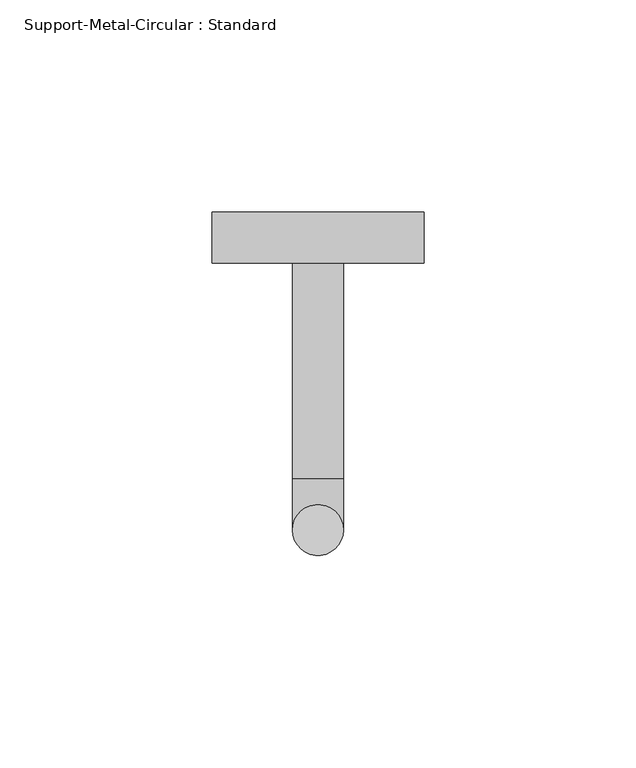
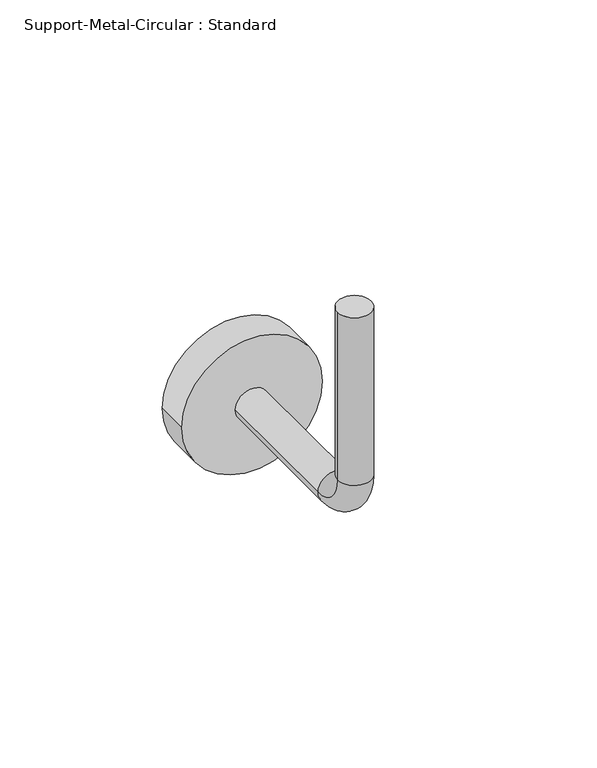
"""IFC4 building model written with IfcOpenShell, lengths in millimetres: proxy geometry, Support-Metal-Circular : Standard."""

import ifcopenshell
import ifcopenshell.guid

model = None  # the IFC model being written
_history = None  # IfcOwnerHistory: only IFC2X3 demands one
_inside = {}  # id of a spatial element -> (the spatial element, [elements in it])
_under = {}  # id of a project, library or spatial element -> (it, [spatial elements below it])
_declared = {}  # id of a project -> (the project, [libraries it declares])
_typed = {}  # id of a type object -> (the type object, [elements of that type])
_made_of = {}  # id of a material, layer set ... -> (it, [elements and type objects made of it])


def new_model(schema):
    """Start an empty IFC model of exactly this schema.

    Asked for "IFC4X3", IfcOpenShell would pick the latest addendum, in which some entities
    have other attributes; the version numbers below select the first issue.
    IFC2X3 requires an IfcOwnerHistory on every rooted entity: one is made here for all.
    """
    global model, _history
    if schema == "IFC4X3":
        model = ifcopenshell.file(schema_version=(4, 3, 0, 0))
    else:
        model = ifcopenshell.file(schema=schema)
    _inside.clear()
    _under.clear()
    _declared.clear()
    _typed.clear()
    _made_of.clear()
    _history = None
    if model.schema == "IFC2X3":
        org = make("IfcOrganization", Name="unknown")
        user = make(
            "IfcPersonAndOrganization",
            ThePerson=make("IfcPerson", FamilyName="unknown"),
            TheOrganization=org,
        )
        app = make(
            "IfcApplication",
            ApplicationDeveloper=org,
            Version="unknown",
            ApplicationFullName="unknown",
            ApplicationIdentifier="unknown",
        )
        _history = make(
            "IfcOwnerHistory",
            OwningUser=user,
            OwningApplication=app,
            ChangeAction="ADDED",
            CreationDate=0,
        )
    return model


def make(cls, **values):
    """One entity of the class cls with the attributes given. An attribute that is None is left unset."""
    return model.create_entity(
        cls, **{name: value for name, value in values.items() if value is not None}
    )


def rooted(cls, **values):
    """An entity with a GlobalId (a new one), such as an element, a storey or a relation."""
    return make(cls, GlobalId=ifcopenshell.guid.new(), OwnerHistory=_history, **values)


def si_unit(unit_type, name, prefix=None):
    """IfcSIUnit, for example si_unit("LENGTHUNIT", "METRE", prefix="MILLI")."""
    return make("IfcSIUnit", UnitType=unit_type, Prefix=prefix, Name=name)


def assignment(units):
    """IfcUnitAssignment: the units of a project."""
    return None if units is None else make("IfcUnitAssignment", Units=units)


def point(xyz):
    """IfcCartesianPoint."""
    return None if xyz is None else make("IfcCartesianPoint", Coordinates=xyz)


def direction(xyz):
    """IfcDirection."""
    return None if xyz is None else make("IfcDirection", DirectionRatios=xyz)


def frame(location, z_axis=None, x_axis=None):
    """IfcAxis2Placement3D, a coordinate frame: its origin and axes. An axis left out is left unset."""
    return make(
        "IfcAxis2Placement3D",
        Location=point(location),
        Axis=direction(z_axis),
        RefDirection=direction(x_axis),
    )


def frame_2d(location, x_axis=None):
    """IfcAxis2Placement2D, a coordinate frame in the plane: its origin and x axis."""
    return make(
        "IfcAxis2Placement2D", Location=point(location), RefDirection=direction(x_axis)
    )


def origin():
    """The frame at (0, 0, 0) with its axes left unset."""
    return frame((0.0, 0.0, 0.0))


def origin_with_axes():
    """The frame at (0, 0, 0) with the z axis (0, 0, 1) and the x axis (1, 0, 0) written out."""
    return frame((0.0, 0.0, 0.0), z_axis=(0.0, 0.0, 1.0), x_axis=(1.0, 0.0, 0.0))


def place(relative_to, where):
    """IfcLocalPlacement: puts the frame where relative to a parent placement (None: the world)."""
    return make(
        "IfcLocalPlacement", PlacementRelTo=relative_to, RelativePlacement=where
    )


def context(
    kind, dimensions, precision=None, world=None, true_north=None, identifier=None
):
    """IfcGeometricRepresentationContext, for example the 3D "Model" context."""
    return make(
        "IfcGeometricRepresentationContext",
        ContextIdentifier=identifier,
        ContextType=kind,
        CoordinateSpaceDimension=dimensions,
        Precision=precision,
        WorldCoordinateSystem=world,
        TrueNorth=true_north,
    )


def project(units=None, contexts=None):
    """IfcProject with its units and contexts."""
    return rooted(
        "IfcProject",
        Name="project",
        RepresentationContexts=contexts,
        UnitsInContext=assignment(units),
    )


def spatial(cls, under=None, at=None, **own):
    """A site, building, storey or space (cls), placed at a placement, below another one or the project."""
    s = rooted(cls, ObjectPlacement=at, **own)
    if under is not None:
        _under.setdefault(under.id(), (under, []))[1].append(s)
    return s


def circle_curve(where, radius):
    """IfcCircle in the frame where."""
    return make("IfcCircle", Position=where, Radius=radius)


def ellipse_curve(where, semi_axis1, semi_axis2):
    """IfcEllipse in the frame where."""
    return make(
        "IfcEllipse", Position=where, SemiAxis1=semi_axis1, SemiAxis2=semi_axis2
    )


def trimmed(basis, trim1, trim2, sense, master):
    """IfcTrimmedCurve: the piece of a basis curve between two trims."""
    return make(
        "IfcTrimmedCurve",
        BasisCurve=basis,
        Trim1=trim1,
        Trim2=trim2,
        SenseAgreement=sense,
        MasterRepresentation=master,
    )


def segment(curve, same_sense, transition):
    """IfcCompositeCurveSegment."""
    return make(
        "IfcCompositeCurveSegment",
        Transition=transition,
        SameSense=same_sense,
        ParentCurve=curve,
    )


def composite_curve(segments, self_intersect=None):
    """IfcCompositeCurve: segments joined end to end."""
    return make("IfcCompositeCurve", Segments=segments, SelfIntersect=self_intersect)


def outline(outer, holes=None, kind="AREA"):
    """IfcArbitraryClosedProfileDef: a profile drawn as a closed curve; with holes, ...WithVoids."""
    if holes is None:
        return make("IfcArbitraryClosedProfileDef", ProfileType=kind, OuterCurve=outer)
    return make(
        "IfcArbitraryProfileDefWithVoids",
        ProfileType=kind,
        OuterCurve=outer,
        InnerCurves=holes,
    )


def extrude(swept, where, along, depth):
    """IfcExtrudedAreaSolid: the profile swept, set in the frame where, extruded along a direction by depth."""
    return make(
        "IfcExtrudedAreaSolid",
        SweptArea=swept,
        Position=where,
        ExtrudedDirection=direction(along),
        Depth=depth,
    )


def shape(context_of_items, identifier, shape_type, items):
    """IfcShapeRepresentation: the items that make up one representation, for example the "Body"."""
    return make(
        "IfcShapeRepresentation",
        ContextOfItems=context_of_items,
        RepresentationIdentifier=identifier,
        RepresentationType=shape_type,
        Items=items,
    )


def source(mapping_origin, context_of_items, identifier, shape_type, items):
    """IfcRepresentationMap: a shape defined once, which mapped items show again and again."""
    return make(
        "IfcRepresentationMap",
        MappingOrigin=mapping_origin,
        MappedRepresentation=shape(context_of_items, identifier, shape_type, items),
    )


def transform(
    local_origin,
    x_axis=None,
    y_axis=None,
    z_axis=None,
    scale=None,
    scale2=None,
    scale3=None,
    uniform=True,
):
    """IfcCartesianTransformationOperator3D, or its non-uniform kind. x_axis, y_axis, z_axis: its Axis1, 2, 3."""
    if uniform:
        return make(
            "IfcCartesianTransformationOperator3D",
            Axis1=direction(x_axis),
            Axis2=direction(y_axis),
            LocalOrigin=point(local_origin),
            Scale=scale,
            Axis3=direction(z_axis),
        )
    return make(
        "IfcCartesianTransformationOperator3DnonUniform",
        Axis1=direction(x_axis),
        Axis2=direction(y_axis),
        LocalOrigin=point(local_origin),
        Scale=scale,
        Axis3=direction(z_axis),
        Scale2=scale2,
        Scale3=scale3,
    )


def mapped(mapping_source, mapping_target):
    """IfcMappedItem: shows the shape of a source again, moved by a transform."""
    return make(
        "IfcMappedItem", MappingSource=mapping_source, MappingTarget=mapping_target
    )


def made_of(thing, what):
    """Note that an element or type object is made of a material, layer set ...; save() writes the relation."""
    if what is not None:
        _made_of.setdefault(what.id(), (what, []))[1].append(thing)
    return thing


def element(
    cls,
    number,
    at=None,
    inside=None,
    cuts=None,
    type_object=None,
    material=None,
    context=None,
    identifier="Body",
    shape_type=None,
    held_by="IfcProductDefinitionShape",
    body=None,
    shapes=None,
    **own,
):
    """One element of the class cls, such as IfcWall. Its Tag is "e" and its number.

    at: its placement. inside: the storey or other place that contains it. cuts: it is an
    opening in that element (IfcRelVoidsElement). A single representation is given by context,
    identifier, shape_type and body (its items); several are given by shapes. held_by: the class
    of the entity that holds the representations. save() writes the other relations.
    """
    e = rooted(cls, Tag="e%d" % number, ObjectPlacement=at, **own)
    if body is not None:
        shapes = [shape(context, identifier, shape_type, body)]
    if shapes is not None:
        e.Representation = make(held_by, Representations=shapes)
    if inside is not None:
        _inside.setdefault(inside.id(), (inside, []))[1].append(e)
    if cuts is not None:
        rooted(
            "IfcRelVoidsElement", RelatingBuildingElement=cuts, RelatedOpeningElement=e
        )
    if type_object is not None:
        _typed.setdefault(type_object.id(), (type_object, []))[1].append(e)
    return made_of(e, material)


def aggregate(whole, parts):
    """IfcRelAggregates: a whole, such as a stair, and the parts it consists of."""
    return rooted("IfcRelAggregates", RelatingObject=whole, RelatedObjects=parts)


def save(model, path):
    """Write the relations noted so far, then the file.

    IfcRelAggregates (storeys below a building ...), IfcRelContainedInSpatialStructure (elements
    in a storey), IfcRelDefinesByType, IfcRelAssociatesMaterial and IfcRelDeclares: one each for
    every whole, place, type object, material and project.
    """
    for whole, parts in _under.values():
        aggregate(whole, parts)
    for where, things in _inside.values():
        rooted(
            "IfcRelContainedInSpatialStructure",
            RelatedElements=things,
            RelatingStructure=where,
        )
    for kind, things in _typed.values():
        rooted("IfcRelDefinesByType", RelatedObjects=things, RelatingType=kind)
    for what, things in _made_of.values():
        rooted("IfcRelAssociatesMaterial", RelatedObjects=things, RelatingMaterial=what)
    for by, libraries in _declared.values():
        rooted("IfcRelDeclares", RelatingContext=by, RelatedDefinitions=libraries)
    model.write(path)


def plane_surface(at):
    """IfcPlane: the flat surface through the origin of the frame at, square to its z axis."""
    return make("IfcPlane", Position=at)


def cylinder_surface(at, radius):
    """IfcCylindricalSurface: all points at the distance radius from the z axis of the frame at."""
    return make("IfcCylindricalSurface", Position=at, Radius=radius)


def revolved_surface(curve, axis_point, axis_direction):
    """IfcSurfaceOfRevolution: the curve turned about the line through axis_point along axis_direction."""
    return make(
        "IfcSurfaceOfRevolution",
        SweptCurve=make("IfcArbitraryOpenProfileDef", ProfileType="CURVE", Curve=curve),
        AxisPosition=make("IfcAxis1Placement", Location=point(axis_point), Axis=direction(axis_direction)),
    )


def advanced_brep(points, edges, surfaces, faces):
    """IfcAdvancedBrep: a solid bounded by faces that lie on surfaces and meet in shared edges.

    An edge is (start, end): straight between two places in points (the first is 0);
    or (start, end, curve); or (start, end, curve, False) where it runs against its curve.
    A face is (place in surfaces, loops), or (place, loops, False) where it looks against
    its surface's normal. A loop lists edges by number (the first is 1), with a minus sign
    where the edge is run from its end to its start. The first loop is the outer one.
    """
    corners = [point(p) for p in points]
    vertices = [make("IfcVertexPoint", VertexGeometry=c) for c in corners]
    made = []
    for start, end, *more in edges:
        made.append(
            make(
                "IfcEdgeCurve",
                EdgeStart=vertices[start],
                EdgeEnd=vertices[end],
                EdgeGeometry=more[0] if more else make("IfcPolyline", Points=[corners[start], corners[end]]),
                SameSense=more[1] if len(more) > 1 else True,
            )
        )
    hull = []
    for where, loops, *sense in faces:
        bounds = []
        for j, loop in enumerate(loops):
            ring = [make("IfcOrientedEdge", EdgeElement=made[abs(k) - 1], Orientation=k > 0) for k in loop]
            bounds.append(
                make(
                    "IfcFaceOuterBound" if j == 0 else "IfcFaceBound",
                    Bound=make("IfcEdgeLoop", EdgeList=ring),
                    Orientation=True,
                )
            )
        hull.append(make("IfcAdvancedFace", Bounds=bounds, FaceSurface=surfaces[where], SameSense=sense[0] if sense else True))
    return make("IfcAdvancedBrep", Outer=make("IfcClosedShell", CfsFaces=hull))


def support_metal_circular_standard_a779fbb7(model_context):
    return source(origin(), model_context, "Body", "SolidModel", [
        advanced_brep(
        [(-6.0, 0.0, 0.0), (6.0, 0.0, 0.0), (-6.0, 0.0, -63.0), (6.0, 0.0, -63.0), (6.0, 12.0, -75.0), (-6.0, 12.0, -75.0), (-6.0, 63.0, -75.0), (6.0, 63.0, -75.0)],
        [
            (0, 1, circle_curve(origin_with_axes(), 6.0)),
            (1, 0, circle_curve(origin_with_axes(), 6.0)),
            (0, 2),
            (2, 3, circle_curve(frame((0.0, 0.0, -63.0), z_axis=(0.0, 0.0, 1.0), x_axis=(1.0, 0.0, 0.0)), 6.0)),
            (3, 1),
            (3, 2, circle_curve(frame((0.0, 0.0, -63.0), z_axis=(0.0, 0.0, 1.0), x_axis=(1.0, 0.0, 0.0)), 6.0)),
            (4, 3, circle_curve(frame((6.0, 12.0, -63.0), z_axis=(-1.0, 0.0, 0.0), x_axis=(0.0, -1.0, 0.0)), 12.0)),
            (2, 5, circle_curve(frame((-6.0, 12.0, -63.0), z_axis=(1.0, 0.0, 0.0), x_axis=(0.0, -1.0, 0.0)), 12.0)),
            (5, 4, circle_curve(frame((0.0, 12.0, -75.0), z_axis=(0.0, -1.0, 0.0), x_axis=(1.0, 0.0, 0.0)), 6.0)),
            (4, 5, circle_curve(frame((0.0, 12.0, -75.0), z_axis=(0.0, -1.0, 0.0), x_axis=(1.0, 0.0, 0.0)), 6.0)),
            (6, 7, circle_curve(frame((0.0, 63.0, -75.0), z_axis=(0.0, 1.0, 0.0), x_axis=(1.0, 0.0, 0.0)), 6.0)),
            (7, 6, circle_curve(frame((0.0, 63.0, -75.0), z_axis=(0.0, 1.0, 0.0), x_axis=(1.0, 0.0, 0.0)), 6.0)),
            (5, 6),
            (7, 4),
        ],
        [
            plane_surface(origin_with_axes()),
            cylinder_surface(origin_with_axes(), 6.0),
            revolved_surface(trimmed(ellipse_curve(frame((0.0, 0.0, -63.0), z_axis=(0.0, 0.0, 1.0), x_axis=(1.0, 0.0, 0.0)), 6.0, 6.0), [point((-6.0, 0.0, -63.0))], [point((6.0, 0.0, -63.0))], True, "CARTESIAN"), (0.0, 12.0, -63.0), (1.0, 0.0, 0.0)),
            revolved_surface(trimmed(ellipse_curve(frame((0.0, 0.0, -63.0), z_axis=(0.0, 0.0, 1.0), x_axis=(1.0, 0.0, 0.0)), 6.0, 6.0), [point((6.0, 0.0, -63.0))], [point((-6.0, 0.0, -63.0))], True, "CARTESIAN"), (0.0, 12.0, -63.0), (1.0, 0.0, 0.0)),
            plane_surface(frame((0.0, 63.0, -75.0), z_axis=(0.0, 1.0, 0.0), x_axis=(1.0, 0.0, 0.0))),
            cylinder_surface(frame((0.0, 12.0, -75.0), z_axis=(0.0, -1.0, 0.0), x_axis=(1.0, 0.0, 0.0)), 6.0),
        ],
        [
            (0, [[1, 2]]),
            (1, [[-1, 3, 4, 5]]),
            (1, [[-2, -5, 6, -3]]),
            (2, [[7, -4, 8, 9]]),
            (3, [[-8, -6, -7, 10]]),
            (4, [[11, 12]]),
            (5, [[-9, 13, -12, 14]]),
            (5, [[-10, -14, -11, -13]]),
        ],
    ),
        extrude(outline(composite_curve([segment(trimmed(circle_curve(frame_2d((-75.0, 0.0)), 25.0), [point((-75.0, -25.0))], [point((-75.0, 25.0))], False, "CARTESIAN"), True, "CONTINUOUS"), segment(trimmed(circle_curve(frame_2d((-75.0, 0.0)), 25.0), [point((-75.0, 25.0))], [point((-75.0, -25.0))], False, "CARTESIAN"), True, "CONTINUOUS")], self_intersect=False)), frame((0.0, 63.0, 0.0), z_axis=(0.0, 1.0, 0.0), x_axis=(0.0, 0.0, 1.0)), (0.0, 0.0, 1.0), 12.0),
    ])


if __name__ == "__main__":
    model = new_model("IFC4")
    model_context = context("Model", 3, world=origin())
    ifc_project = project(units=[si_unit("LENGTHUNIT", "METRE", prefix="MILLI")], contexts=[model_context])
    site = spatial("IfcSite", under=ifc_project)
    building = spatial("IfcBuilding", under=site)
    placement = place(None, origin())
    support_metal_circular_standard_shape = support_metal_circular_standard_a779fbb7(model_context)
    element("IfcBuildingElementProxy", 1, Name="Support-Metal-Circular : Standard", ObjectType="Support-Metal-Circular : Standard", at=placement, inside=building, context=model_context, shape_type="MappedRepresentation", body=[
        mapped(support_metal_circular_standard_shape, transform((0.0, 0.0, 0.0), x_axis=(1.0, 0.0, 0.0), y_axis=(0.0, 1.0, 0.0), z_axis=(0.0, 0.0, 1.0))),
    ])
    save(model, "model.ifc")
